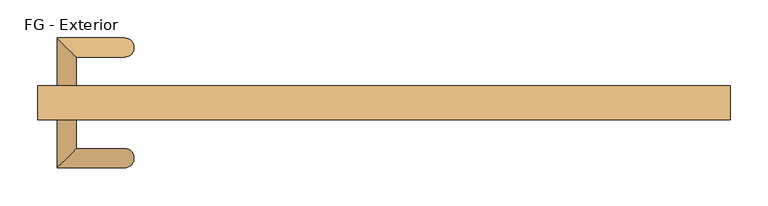
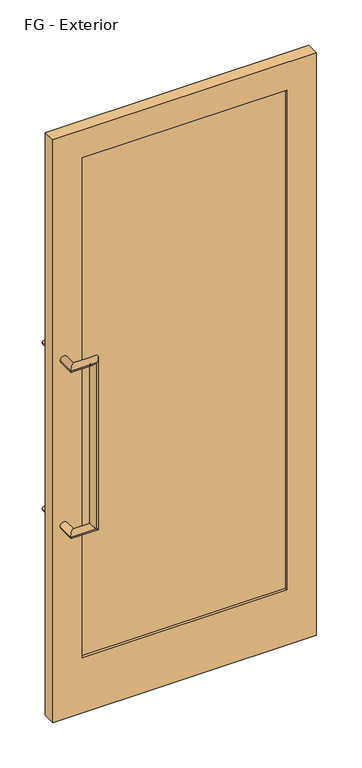
"""IFC4 building model written with IfcOpenShell, lengths in millimetres: door geometry, FG - Exterior."""

from ifc_helpers import new_model, si_unit, frame, origin, place, context, project, spatial, polyline, circle_curve, ellipse_curve, outline, extrude, source, transform, mapped, element, save
from ifc_brep_helpers import plane_surface, cylinder_surface, advanced_brep


def fg_exterior_632bc3f1(model_context):
    return source(origin(), model_context, "Body", "SolidModel", [
        advanced_brep(
        [(-431.8, 0.0, 1320.8), (-406.4, 0.0, 1320.8), (-406.4, -38.1, 1320.8), (-431.8, -63.5, 1320.8), (-342.9, -38.1, 1320.8), (-342.9, -63.5, 1320.8), (-342.9, -38.1, 711.2), (-342.9, -63.5, 711.2), (-406.4, -38.1, 711.2), (-431.8, -63.5, 711.2), (-431.8, 0.0, 711.2), (-406.4, 0.0, 711.2)],
        [
            (0, 1, circle_curve(frame((-419.1, 0.0, 1320.8), z_axis=(0.0, 1.0, 0.0), x_axis=(1.0, 0.0, 0.0)), 12.7)),
            (1, 0, circle_curve(frame((-419.1, 0.0, 1320.8), z_axis=(0.0, 1.0, 0.0), x_axis=(1.0, 0.0, 0.0)), 12.7)),
            (1, 2),
            (2, 3, ellipse_curve(frame((-419.1, -50.8, 1320.8), z_axis=(-0.7071067811865475, 0.7071067811865475, 0.0), x_axis=(0.7071067811865474, 0.7071067811865476, 0.0)), 17.9605122, 12.7)),
            (3, 0),
            (3, 2, ellipse_curve(frame((-419.1, -50.8, 1320.8), z_axis=(-0.7071067811865475, 0.7071067811865475, 0.0), x_axis=(0.7071067811865474, 0.7071067811865476, 0.0)), 17.9605122, 12.7)),
            (2, 4),
            (4, 5, ellipse_curve(frame((-342.9, -50.8, 1320.8), z_axis=(-0.7071067811865475, 0.0, 0.7071067811865475), x_axis=(-0.7071067811865476, 0.0, -0.7071067811865474)), 17.9605122, 12.7)),
            (5, 3),
            (5, 4, ellipse_curve(frame((-342.9, -50.8, 1320.8), z_axis=(-0.7071067811865475, 0.0, 0.7071067811865475), x_axis=(-0.7071067811865476, 0.0, -0.7071067811865474)), 17.9605122, 12.7)),
            (4, 6),
            (6, 7, ellipse_curve(frame((-342.9, -50.8, 711.2), z_axis=(0.7071067811865475, 0.0, 0.7071067811865475), x_axis=(-0.7071067811865474, 0.0, 0.7071067811865476)), 17.9605122, 12.7)),
            (7, 5),
            (7, 6, ellipse_curve(frame((-342.9, -50.8, 711.2), z_axis=(0.7071067811865475, 0.0, 0.7071067811865475), x_axis=(-0.7071067811865474, 0.0, 0.7071067811865476)), 17.9605122, 12.7)),
            (6, 8),
            (8, 9, ellipse_curve(frame((-419.1, -50.8, 711.2), z_axis=(0.7071067811865475, -0.7071067811865475, 0.0), x_axis=(0.7071067811865476, 0.7071067811865474, 0.0)), 17.9605122, 12.7)),
            (9, 7),
            (9, 8, ellipse_curve(frame((-419.1, -50.8, 711.2), z_axis=(0.7071067811865475, -0.7071067811865475, 0.0), x_axis=(0.7071067811865476, 0.7071067811865474, 0.0)), 17.9605122, 12.7)),
            (10, 11, circle_curve(frame((-419.1, 0.0, 711.2), z_axis=(0.0, 1.0, 0.0), x_axis=(1.0, 0.0, 0.0)), 12.7)),
            (11, 10, circle_curve(frame((-419.1, 0.0, 711.2), z_axis=(0.0, 1.0, 0.0), x_axis=(1.0, 0.0, 0.0)), 12.7)),
            (8, 11),
            (10, 9),
        ],
        [
            plane_surface(frame((-431.8, 0.0, 1320.8), z_axis=(0.0, 1.0, 0.0), x_axis=(0.0, 0.0, 1.0))),
            cylinder_surface(frame((-419.1, 0.0, 1320.8), z_axis=(0.0, 1.0, 0.0), x_axis=(1.0, 0.0, 0.0)), 12.7),
            cylinder_surface(frame((-419.1, -50.8, 1320.8), z_axis=(-1.0, 0.0, 0.0), x_axis=(0.0, 1.0, 0.0)), 12.7),
            cylinder_surface(frame((-342.9, -50.8, 1320.8), z_axis=(0.0, 0.0, 1.0), x_axis=(0.0, 1.0, 0.0)), 12.7),
            cylinder_surface(frame((-342.9, -50.8, 711.2), z_axis=(1.0, 0.0, 0.0), x_axis=(0.0, 1.0, 0.0)), 12.7),
            plane_surface(frame((-431.8, 0.0, 711.2), z_axis=(0.0, 1.0, 0.0), x_axis=(0.0, 0.0, -1.0))),
            cylinder_surface(frame((-419.1, -50.8, 711.2), z_axis=(0.0, -1.0, 0.0), x_axis=(1.0, 0.0, 0.0)), 12.7),
        ],
        [
            (0, [[1, 2]]),
            (1, [[3, 4, 5, -2]]),
            (1, [[-5, 6, -3, -1]]),
            (2, [[7, 8, 9, -4]]),
            (2, [[-9, 10, -7, -6]]),
            (3, [[11, 12, 13, -8]]),
            (3, [[-13, 14, -11, -10]]),
            (4, [[15, 16, 17, -12]]),
            (4, [[-17, 18, -15, -14]]),
            (5, [[19, 20]]),
            (6, [[21, -19, 22, -16]]),
            (6, [[-22, -20, -21, -18]]),
        ],
    ),
        advanced_brep(
        [(-431.8, 44.45, 711.2), (-406.4, 44.45, 711.2), (-406.4, 82.55, 711.2), (-431.8, 107.95, 711.2), (-342.9, 82.55, 711.2), (-342.9, 107.95, 711.2), (-342.9, 82.55, 1320.8), (-342.9, 107.95, 1320.8), (-406.4, 82.55, 1320.8), (-431.8, 107.95, 1320.8), (-431.8, 44.45, 1320.8), (-406.4, 44.45, 1320.8)],
        [
            (0, 1, circle_curve(frame((-419.1, 44.45, 711.2), z_axis=(0.0, -1.0, 0.0), x_axis=(1.0, 0.0, 0.0)), 12.7)),
            (1, 0, circle_curve(frame((-419.1, 44.45, 711.2), z_axis=(0.0, -1.0, 0.0), x_axis=(1.0, 0.0, 0.0)), 12.7)),
            (1, 2),
            (2, 3, ellipse_curve(frame((-419.1, 95.25, 711.2), z_axis=(-0.7071067811865474, -0.7071067811865476, 0.0), x_axis=(0.7071067811865475, -0.7071067811865475, 0.0)), 17.9605122, 12.7)),
            (3, 0),
            (3, 2, ellipse_curve(frame((-419.1, 95.25, 711.2), z_axis=(-0.7071067811865474, -0.7071067811865476, 0.0), x_axis=(0.7071067811865475, -0.7071067811865475, 0.0)), 17.9605122, 12.7)),
            (2, 4),
            (4, 5, ellipse_curve(frame((-342.9, 95.25, 711.2), z_axis=(-0.7071067811865475, 0.0, -0.7071067811865475), x_axis=(-0.7071067811865476, 0.0, 0.7071067811865474)), 17.9605122, 12.7)),
            (5, 3),
            (5, 4, ellipse_curve(frame((-342.9, 95.25, 711.2), z_axis=(-0.7071067811865475, 0.0, -0.7071067811865475), x_axis=(-0.7071067811865476, 0.0, 0.7071067811865474)), 17.9605122, 12.7)),
            (4, 6),
            (6, 7, ellipse_curve(frame((-342.9, 95.25, 1320.8), z_axis=(0.7071067811865475, 0.0, -0.7071067811865475), x_axis=(-0.7071067811865474, 0.0, -0.7071067811865476)), 17.9605122, 12.7)),
            (7, 5),
            (7, 6, ellipse_curve(frame((-342.9, 95.25, 1320.8), z_axis=(0.7071067811865475, 0.0, -0.7071067811865475), x_axis=(-0.7071067811865474, 0.0, -0.7071067811865476)), 17.9605122, 12.7)),
            (6, 8),
            (8, 9, ellipse_curve(frame((-419.1, 95.25, 1320.8), z_axis=(0.7071067811865475, 0.7071067811865475, 0.0), x_axis=(0.7071067811865477, -0.7071067811865474, 0.0)), 17.9605122, 12.7)),
            (9, 7),
            (9, 8, ellipse_curve(frame((-419.1, 95.25, 1320.8), z_axis=(0.7071067811865475, 0.7071067811865475, 0.0), x_axis=(0.7071067811865477, -0.7071067811865474, 0.0)), 17.9605122, 12.7)),
            (10, 11, circle_curve(frame((-419.1, 44.45, 1320.8), z_axis=(0.0, -1.0, 0.0), x_axis=(1.0, 0.0, 0.0)), 12.7)),
            (11, 10, circle_curve(frame((-419.1, 44.45, 1320.8), z_axis=(0.0, -1.0, 0.0), x_axis=(1.0, 0.0, 0.0)), 12.7)),
            (8, 11),
            (10, 9),
        ],
        [
            plane_surface(frame((-431.8, 44.45, 711.2), z_axis=(0.0, -1.0, 0.0), x_axis=(0.0, 0.0, -1.0))),
            cylinder_surface(frame((-419.1, 44.45, 711.2), z_axis=(0.0, -1.0, 0.0), x_axis=(1.0, 0.0, 0.0)), 12.7),
            cylinder_surface(frame((-419.1, 95.25, 711.2), z_axis=(-1.0, 0.0, 0.0), x_axis=(0.0, -1.0, 0.0)), 12.7),
            cylinder_surface(frame((-342.9, 95.25, 711.2), z_axis=(0.0, 0.0, -1.0), x_axis=(0.0, -1.0, 0.0)), 12.7),
            cylinder_surface(frame((-342.9, 95.25, 1320.8), z_axis=(1.0, 0.0, 0.0), x_axis=(0.0, -1.0, 0.0)), 12.7),
            plane_surface(frame((-431.8, 44.45, 1320.8), z_axis=(0.0, -1.0, 0.0), x_axis=(0.0, 0.0, 1.0))),
            cylinder_surface(frame((-419.1, 95.25, 1320.8), z_axis=(0.0, 1.0, 0.0), x_axis=(1.0, 0.0, 0.0)), 12.7),
        ],
        [
            (0, [[1, 2]]),
            (1, [[3, 4, 5, -2]]),
            (1, [[-5, 6, -3, -1]]),
            (2, [[7, 8, 9, -4]]),
            (2, [[-9, 10, -7, -6]]),
            (3, [[11, 12, 13, -8]]),
            (3, [[-13, 14, -11, -10]]),
            (4, [[15, 16, 17, -12]]),
            (4, [[-17, 18, -15, -14]]),
            (5, [[19, 20]]),
            (6, [[21, -19, 22, -16]]),
            (6, [[-22, -20, -21, -18]]),
        ],
    ),
        extrude(outline(polyline([(-355.6, 9.525), (-355.6, 34.925), (355.6, 34.925), (355.6, 9.525), (-355.6, 9.525)])), frame((0.0, 0.0, 203.2), z_axis=(0.0, 0.0, 1.0), x_axis=(1.0, 0.0, 0.0)), (0.0, 0.0, 1.0), 1835.15),
        extrude(outline(polyline([(2139.95, 457.2), (2139.95, -457.2), (0.0, -457.2), (0.0, 457.2), (2139.95, 457.2)]), holes=[polyline([(2038.35, -355.6), (2038.35, 355.6), (203.2, 355.6), (203.2, -355.6), (2038.35, -355.6)])]), frame((0.0, 0.0, 0.0), z_axis=(0.0, 1.0, 0.0), x_axis=(0.0, 0.0, 1.0)), (0.0, 0.0, 1.0), 44.45),
    ])


if __name__ == "__main__":
    model = new_model("IFC4")
    model_context = context("Model", 3, world=origin())
    ifc_project = project(units=[si_unit("LENGTHUNIT", "METRE", prefix="MILLI")], contexts=[model_context])
    site = spatial("IfcSite", under=ifc_project)
    building = spatial("IfcBuilding", under=site)
    placement = place(None, origin())
    fg_exterior_shape = fg_exterior_632bc3f1(model_context)
    element("IfcDoor", 1, ObjectType="FG - Exterior", at=placement, inside=building, context=model_context, shape_type="MappedRepresentation", body=[
        mapped(fg_exterior_shape, transform((0.0, 0.0, 0.0), x_axis=(1.0, 0.0, 0.0), y_axis=(0.0, 1.0, 0.0), z_axis=(0.0, 0.0, 1.0))),
    ])
    save(model, "model.ifc")
